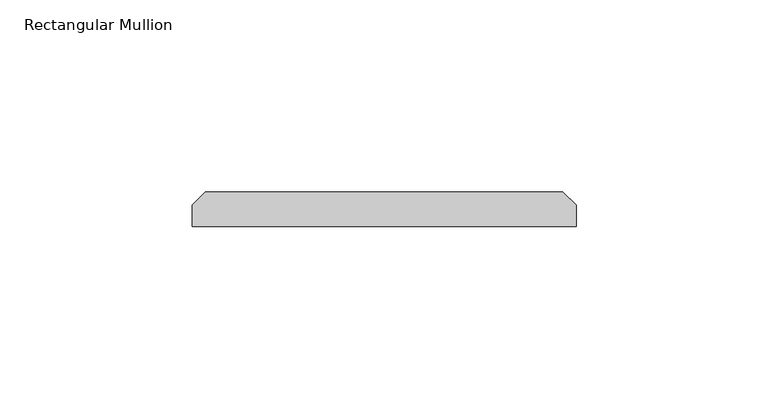
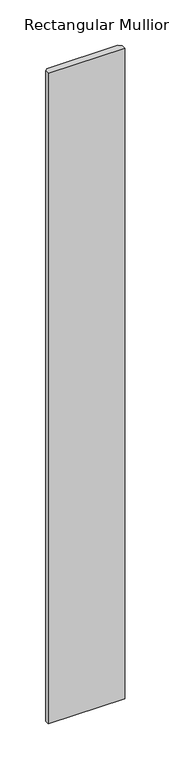
"""IFC4 building model written with IfcOpenShell, lengths in millimetres: member geometry, Rectangular Mullion."""

from ifc_helpers import new_model, si_unit, frame, origin, place, context, project, spatial, polyline, outline, extrude, source, transform, mapped, element, save


def rectangular_mullion_b4e5f95c(model_context):
    return source(origin(), model_context, "Body", "SweptSolid", [
        extrude(outline(polyline([(50.0, 0.0), (-50.0, 0.0), (-50.0, 5.5), (-46.5, 9.0), (46.5, 9.0), (50.0, 5.5), (50.0, 0.0)])), frame((0.0, 0.0, -900.0), z_axis=(0.0, 0.0, 1.0), x_axis=(1.0, 0.0, 0.0)), (0.0, 0.0, 1.0), 900.0),
    ])


if __name__ == "__main__":
    model = new_model("IFC4")
    model_context = context("Model", 3, world=origin())
    ifc_project = project(units=[si_unit("LENGTHUNIT", "METRE", prefix="MILLI")], contexts=[model_context])
    site = spatial("IfcSite", under=ifc_project)
    building = spatial("IfcBuilding", under=site)
    placement = place(None, origin())
    rectangular_mullion_shape = rectangular_mullion_b4e5f95c(model_context)
    element("IfcMember", 1, ObjectType="Rectangular Mullion", at=placement, inside=building, context=model_context, shape_type="MappedRepresentation", body=[
        mapped(rectangular_mullion_shape, transform((0.0, 0.0, 0.0), x_axis=(1.0, 0.0, 0.0), y_axis=(0.0, 1.0, 0.0), z_axis=(0.0, 0.0, 1.0))),
    ])
    save(model, "model.ifc")
